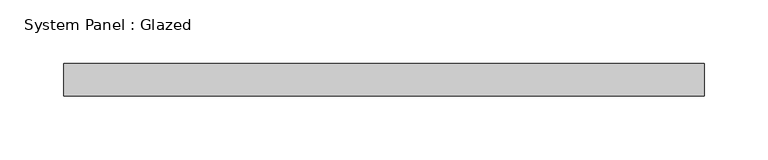
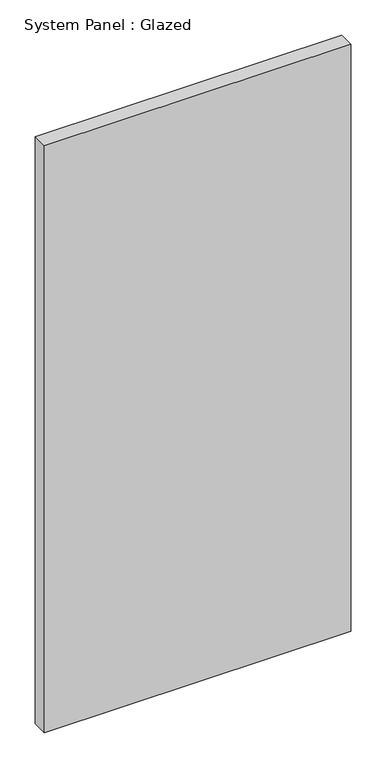
"""IFC4 building model written with IfcOpenShell, lengths in millimetres: plate geometry, System Panel : Glazed."""

from ifc_helpers import new_model, si_unit, origin, origin_with_axes, place, context, project, spatial, polyline, outline, extrude, source, transform, mapped, element, save


def system_panel_glazed_b9044fd9(model_context):
    return source(origin(), model_context, "Body", "SweptSolid", [
        extrude(outline(polyline([(250.825, -12.7), (-250.825, -12.7), (-250.825, 12.7), (250.825, 12.7), (250.825, -12.7)])), origin_with_axes(), (0.0, 0.0, 1.0), 1016.0),
    ])


if __name__ == "__main__":
    model = new_model("IFC4")
    model_context = context("Model", 3, world=origin())
    ifc_project = project(units=[si_unit("LENGTHUNIT", "METRE", prefix="MILLI")], contexts=[model_context])
    site = spatial("IfcSite", under=ifc_project)
    building = spatial("IfcBuilding", under=site)
    placement = place(None, origin())
    system_panel_glazed_shape = system_panel_glazed_b9044fd9(model_context)
    element("IfcPlate", 1, ObjectType="System Panel : Glazed", at=placement, inside=building, context=model_context, shape_type="MappedRepresentation", body=[
        mapped(system_panel_glazed_shape, transform((0.0, 0.0, 0.0), x_axis=(1.0, 0.0, 0.0), y_axis=(0.0, 1.0, 0.0), z_axis=(0.0, 0.0, 1.0))),
    ])
    save(model, "model.ifc")
